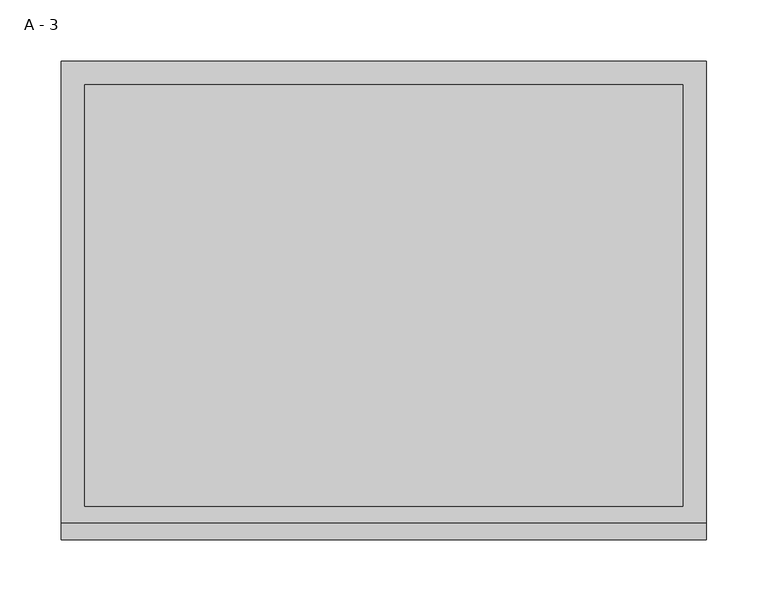
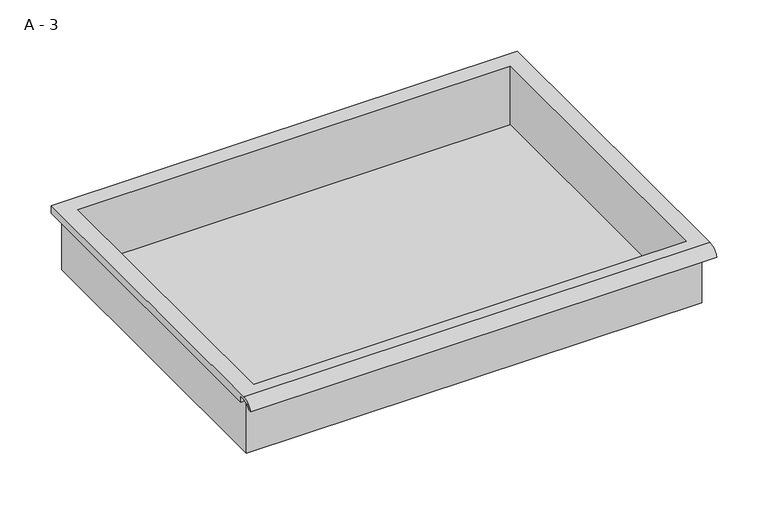
"""IFC4 building model written with IfcOpenShell, lengths in millimetres: furniture geometry, A - 3."""

from ifc_helpers import new_model, si_unit, frame, origin, place, context, project, spatial, polyline, circle_curve, source, transform, mapped, element, save
from ifc_brep_helpers import plane_surface, cylinder_surface, revolved_surface, advanced_brep


def a_3_e31aca13(model_context):
    return source(origin(), model_context, "Body", "AdvancedBrep", [
        advanced_brep(
        [(-257.1076517, -176.2125, 788.99512), (257.2423483, -176.2125, 788.99512), (257.2423483, -176.2125, 852.49512), (263.5923483, -176.2125, 852.49512), (263.5923483, -176.2125, 858.8022541), (-263.4576517, -176.2125, 858.8022541), (-263.4576517, -176.2125, 852.49512), (-257.1076517, -176.2125, 852.49512), (257.2423483, 185.7375, 788.99512), (-257.1076517, 185.7375, 788.99512), (-257.1076517, 185.7375, 852.49512), (257.2423483, 185.7375, 852.49512), (263.5923483, -181.6070544, 862.02012), (263.5923483, 195.2625, 862.02012), (-263.4576517, 195.2625, 862.02012), (-263.4576517, -181.6070544, 862.02012), (244.5423483, -168.275, 862.02012), (-244.4076517, -168.275, 862.02012), (-244.4076517, 176.2125, 862.02012), (244.5423483, 176.2125, 862.02012), (263.5923483, -195.2625, 852.49512), (263.5923483, -191.8280601, 852.49512), (263.5923483, -180.4714815, 858.8022541), (263.5923483, 195.2625, 852.49512), (-263.4576517, 195.2625, 852.49512), (-263.4576517, -180.4714815, 858.8022541), (-263.4576517, -191.8280601, 852.49512), (-263.4576517, -195.2625, 852.49512), (-244.4076517, -168.275, 792.0212919), (244.5423483, -168.275, 792.0212919), (244.5423483, 176.2125, 792.0212919), (-244.4076517, 176.2125, 792.0212919)],
        [
            (0, 1),
            (1, 2),
            (2, 3),
            (3, 4),
            (4, 5),
            (5, 6),
            (6, 7),
            (7, 0),
            (8, 9),
            (9, 10),
            (10, 11),
            (11, 8),
            (0, 9),
            (8, 1),
            (11, 2),
            (12, 13),
            (13, 14),
            (14, 15),
            (15, 12),
            (16, 17),
            (17, 18),
            (18, 19),
            (19, 16),
            (7, 10),
            (12, 20, circle_curve(frame((263.5923483, -181.6070544, 847.4691059), z_axis=(1.0, 0.0, 0.0), x_axis=(0.0, 1.0, 0.0)), 14.5510141)),
            (20, 21),
            (21, 22, circle_curve(frame((263.5923483, -181.6070544, 847.4691059), z_axis=(-1.0, 0.0, 0.0), x_axis=(0.0, 1.0, 0.0)), 11.3898979)),
            (22, 4),
            (3, 23),
            (23, 13),
            (14, 24),
            (24, 6),
            (5, 25),
            (25, 26, circle_curve(frame((-263.4576517, -181.6070544, 847.4691059), z_axis=(1.0, 0.0, 0.0), x_axis=(0.0, 1.0, 0.0)), 11.3898979)),
            (26, 27),
            (27, 15, circle_curve(frame((-263.4576517, -181.6070544, 847.4691059), z_axis=(-1.0, 0.0, 0.0), x_axis=(0.0, 1.0, 0.0)), 14.5510141)),
            (27, 20),
            (26, 21),
            (25, 22),
            (24, 23),
            (28, 29),
            (29, 30),
            (30, 31),
            (31, 28),
            (28, 17),
            (16, 29),
            (19, 30),
            (18, 31),
        ],
        [
            plane_surface(frame((257.2423483, -176.2125, 788.99512), z_axis=(0.0, -1.0, 0.0), x_axis=(1.0, 0.0, 0.0))),
            plane_surface(frame((257.2423483, 185.7375, 788.99512), z_axis=(0.0, 1.0, 0.0), x_axis=(-1.0, 0.0, 0.0))),
            plane_surface(frame((-257.1076517, -176.2125, 788.99512), z_axis=(0.0, 0.0, -1.0), x_axis=(0.0, 1.0, 0.0))),
            plane_surface(frame((257.2423483, -176.2125, 788.99512), z_axis=(1.0, 0.0, 0.0), x_axis=(0.0, 1.0, 0.0))),
            plane_surface(frame((257.2423483, -176.2125, 862.02012), z_axis=(0.0, 0.0, 1.0), x_axis=(0.0, 1.0, 0.0))),
            plane_surface(frame((-257.1076517, -176.2125, 862.02012), z_axis=(-1.0, 0.0, 0.0), x_axis=(0.0, 1.0, 0.0))),
            plane_surface(frame((263.5923483, 195.2625, 862.02012), z_axis=(1.0, 0.0, 0.0), x_axis=(0.0, -1.0, 0.0))),
            plane_surface(frame((-263.4576517, 195.2625, 862.02012), z_axis=(-1.0, 0.0, 0.0), x_axis=(0.0, 1.0, 0.0))),
            cylinder_surface(frame((-263.4576517, -181.6070544, 847.4691059), z_axis=(1.0, 0.0, 0.0), x_axis=(0.0, 1.0, 0.0)), 14.5510141),
            plane_surface(frame((263.5923483, -195.2625, 852.49512), z_axis=(0.0, -7.0941728936245e-12, -1.0), x_axis=(-1.0, 0.0, 0.0))),
            revolved_surface(polyline([(-263.4576517, -170.21715650000002, 847.4691059), (263.59234829999997, -170.21715650000002, 847.4691059)]), (-263.4576517, -181.6070544, 847.4691059), (-1.0, 0.0, 0.0)),
            plane_surface(frame((263.5923483, -180.4714815, 858.8022541), z_axis=(0.0, -1.7638937182595442e-11, -1.0), x_axis=(-1.0, 0.0, 0.0))),
            plane_surface(frame((263.5923483, -176.2125, 852.49512), z_axis=(0.0, 0.0, -1.0), x_axis=(-1.0, 0.0, 0.0))),
            plane_surface(frame((263.5923483, 195.2625, 852.49512), z_axis=(0.0, 1.0, 0.0), x_axis=(-1.0, 0.0, 0.0))),
            plane_surface(frame((244.5423483, -168.275, 792.0212919), z_axis=(0.0, 0.0, 1.0), x_axis=(-1.0, 0.0, 0.0))),
            plane_surface(frame((-244.4076517, -168.275, 862.02012), z_axis=(0.0, 1.0, 0.0), x_axis=(0.0, 0.0, -1.0))),
            plane_surface(frame((244.5423483, -168.275, 862.02012), z_axis=(-1.0, 0.0, 0.0), x_axis=(0.0, 0.0, -1.0))),
            plane_surface(frame((244.5423483, 176.2125, 862.02012), z_axis=(0.0, -1.0, 0.0), x_axis=(0.0, 0.0, -1.0))),
            plane_surface(frame((-244.4076517, 176.2125, 862.02012), z_axis=(1.0, 0.0, 0.0), x_axis=(0.0, 0.0, -1.0))),
        ],
        [
            (0, [[1, 2, 3, 4, 5, 6, 7, 8]]),
            (1, [[9, 10, 11, 12]]),
            (2, [[-1, 13, -9, 14]]),
            (3, [[-14, -12, 15, -2]]),
            (4, [[16, 17, 18, 19], [20, 21, 22, 23]]),
            (5, [[-13, -8, 24, -10]]),
            (6, [[-16, 25, 26, 27, 28, -4, 29, 30]]),
            (7, [[31, 32, -6, 33, 34, 35, 36, -18]]),
            (8, [[-25, -19, -36, 37]]),
            (9, [[-26, -37, -35, 38]]),
            (10, [[-27, -38, -34, 39]]),
            (11, [[-28, -39, -33, -5]]),
            (12, [[-29, -3, -15, -11, -24, -7, -32, 40]]),
            (13, [[-30, -40, -31, -17]]),
            (14, [[41, 42, 43, 44]]),
            (15, [[-41, 45, -20, 46]]),
            (16, [[-42, -46, -23, 47]]),
            (17, [[-43, -47, -22, 48]]),
            (18, [[-44, -48, -21, -45]]),
        ],
    ),
    ])


if __name__ == "__main__":
    model = new_model("IFC4")
    model_context = context("Model", 3, world=origin())
    ifc_project = project(units=[si_unit("LENGTHUNIT", "METRE", prefix="MILLI")], contexts=[model_context])
    site = spatial("IfcSite", under=ifc_project)
    building = spatial("IfcBuilding", under=site)
    placement = place(None, origin())
    a_3_shape = a_3_e31aca13(model_context)
    element("IfcFurniture", 1, ObjectType="A - 3", at=placement, inside=building, context=model_context, shape_type="MappedRepresentation", body=[
        mapped(a_3_shape, transform((0.0, 0.0, 0.0), x_axis=(1.0, 0.0, 0.0), y_axis=(0.0, 1.0, 0.0), z_axis=(0.0, 0.0, 1.0))),
    ])
    save(model, "model.ifc")
